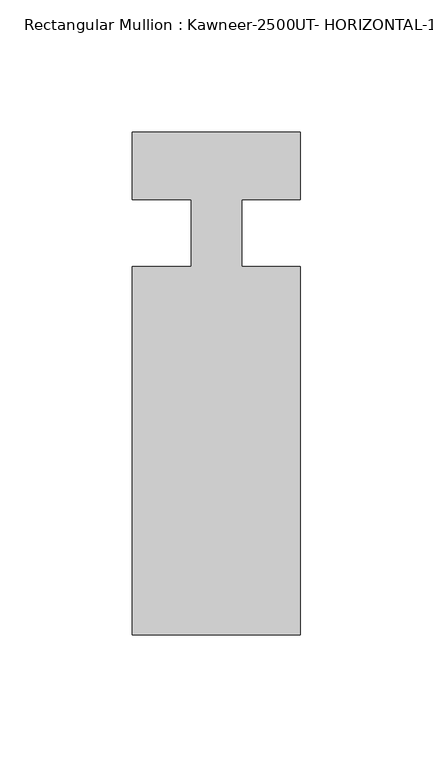
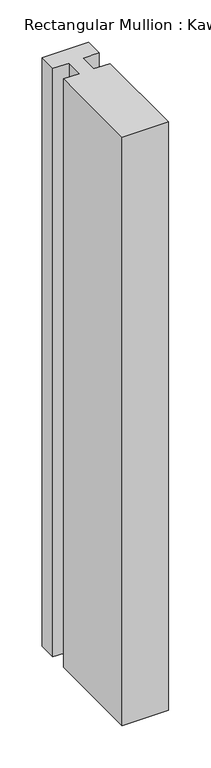
"""IFC4 building model written with IfcOpenShell, lengths in millimetres: member geometry, Rectangular Mullion : Kawneer-2500UT- HORIZONTAL-1 INCH INFILL-MODEL."""

from ifc_helpers import new_model, si_unit, point, frame, frame_2d, origin, place, context, project, spatial, polyline, circle_curve, trimmed, segment, composite_curve, outline, extrude, source, transform, mapped, element, save


def rectangular_mullion_kawneer_2500ut_horizontal_1_inch_infill_f97aff82(model_context):
    return source(origin(), model_context, "Body", "SweptSolid", [
        extrude(outline(composite_curve([segment(polyline([(63.515875, -25.415875), (63.515875, -164.607875), (0.015875, -164.607875), (0.015875, -25.415875), (22.2407618, -25.415875), (22.2407618, -0.3335033)]), True, "CONTINUOUS"), segment(trimmed(circle_curve(frame_2d((4.3166268, -461.0236947)), 461.0387479), [point((22.2407618, -0.3335033))], [point((0.015875, -0.0050068))], True, "CARTESIAN"), True, "CONTINUOUS"), segment(polyline([(0.015875, -0.0050068), (0.015875, 25.4), (63.515875, 25.4), (63.515875, -0.0050068)]), True, "CONTINUOUS"), segment(trimmed(circle_curve(frame_2d((59.2151232, -461.0236947)), 461.0387479), [point((63.515875, -0.0050068))], [point((41.290875, -0.3335077))], True, "CARTESIAN"), True, "CONTINUOUS"), segment(polyline([(41.290875, -0.3335077), (41.290875, -25.415875), (63.515875, -25.415875)]), True, "CONTINUOUS")], self_intersect=False)), frame((0.0, 0.0, -850.8998868), z_axis=(0.0, 0.0, 1.0), x_axis=(1.0, 0.0, 0.0)), (0.0, 0.0, 1.0), 850.8998868),
    ])


if __name__ == "__main__":
    model = new_model("IFC4")
    model_context = context("Model", 3, world=origin())
    ifc_project = project(units=[si_unit("LENGTHUNIT", "METRE", prefix="MILLI")], contexts=[model_context])
    site = spatial("IfcSite", under=ifc_project)
    building = spatial("IfcBuilding", under=site)
    placement = place(None, origin())
    rectangular_mullion_kawneer_2500ut_horizontal_1_inch_infill_shape = rectangular_mullion_kawneer_2500ut_horizontal_1_inch_infill_f97aff82(model_context)
    element("IfcMember", 1, ObjectType="Rectangular Mullion : Kawneer-2500UT- HORIZONTAL-1 INCH INFILL-MODEL", at=placement, inside=building, context=model_context, shape_type="MappedRepresentation", body=[
        mapped(rectangular_mullion_kawneer_2500ut_horizontal_1_inch_infill_shape, transform((0.0, 0.0, 0.0), x_axis=(1.0, 0.0, 0.0), y_axis=(0.0, 1.0, 0.0), z_axis=(0.0, 0.0, 1.0))),
    ])
    save(model, "model.ifc")
